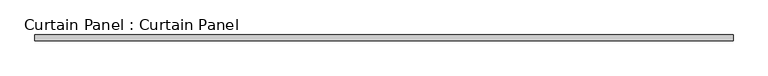
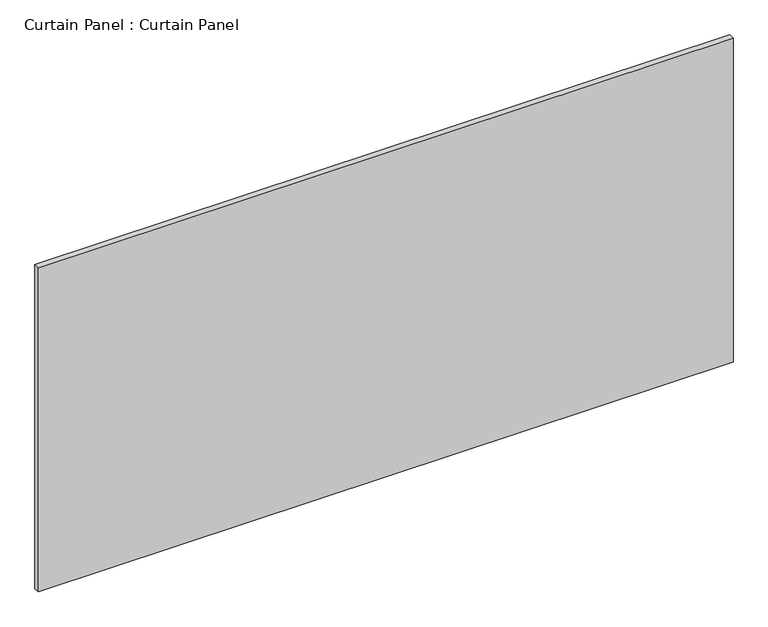
"""IFC4 building model written with IfcOpenShell, lengths in millimetres: plate geometry, Curtain Panel : Curtain Panel."""

from ifc_helpers import new_model, si_unit, frame, origin, place, context, project, spatial, polyline, outline, extrude, source, transform, mapped, element, save


def curtain_panel_curtain_panel_96b077d6(model_context):
    return source(origin(), model_context, "Body", "SweptSolid", [
        extrude(outline(polyline([(-123752.3555895, -9130.4431787), (-126765.4305895, -9130.4431787), (-126765.4305895, -9105.0431787), (-123752.3555895, -9105.0431787), (-123752.3555895, -9130.4431787)])), frame((0.0, 0.0, 1593.453125), z_axis=(0.0, 0.0, 1.0), x_axis=(1.0, 0.0, 0.0)), (0.0, 0.0, 1.0), 1485.9),
    ])


if __name__ == "__main__":
    model = new_model("IFC4")
    model_context = context("Model", 3, world=origin())
    ifc_project = project(units=[si_unit("LENGTHUNIT", "METRE", prefix="MILLI")], contexts=[model_context])
    site = spatial("IfcSite", under=ifc_project)
    building = spatial("IfcBuilding", under=site)
    placement = place(None, origin())
    curtain_panel_curtain_panel_shape = curtain_panel_curtain_panel_96b077d6(model_context)
    element("IfcPlate", 1, ObjectType="Curtain Panel : Curtain Panel", at=placement, inside=building, context=model_context, shape_type="MappedRepresentation", body=[
        mapped(curtain_panel_curtain_panel_shape, transform((0.0, 0.0, 0.0), x_axis=(1.0, 0.0, 0.0), y_axis=(0.0, 1.0, 0.0), z_axis=(0.0, 0.0, 1.0))),
    ])
    save(model, "model.ifc")
